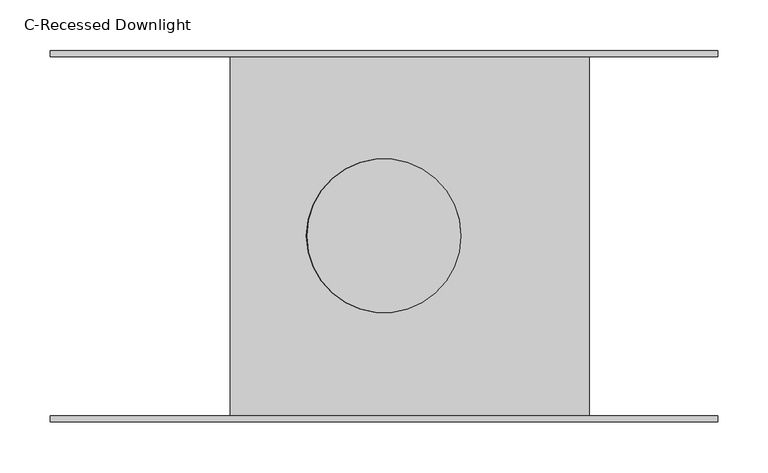
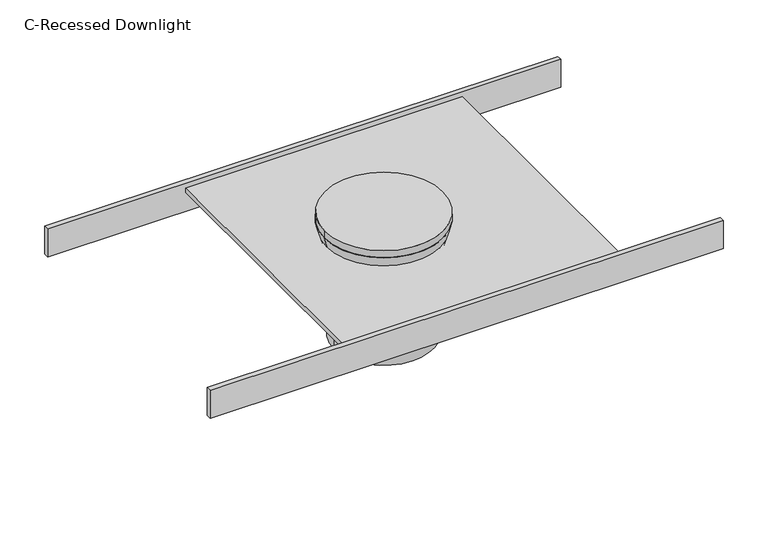
"""IFC4 building model written with IfcOpenShell, lengths in millimetres: light fixture geometry, C-Recessed Downlight."""

from ifc_helpers import new_model, si_unit, point, frame, frame_2d, origin, origin_with_axes, place, context, project, spatial, polyline, circle_curve, trimmed, segment, composite_curve, outline, extrude, source, transform, mapped, element, save
from ifc_brep_helpers import plane_surface, revolved_surface, advanced_brep


def c_recessed_downlight_26061e5d(model_context):
    return source(origin(), model_context, "Body", "SolidModel", [
        extrude(outline(composite_curve([segment(trimmed(circle_curve(frame_2d((-0.2696023, 0.4571435)), 63.5), [point((-63.7696023, 0.4571435))], [point((63.2303977, 0.4571435))], False, "CARTESIAN"), True, "CONTINUOUS"), segment(trimmed(circle_curve(frame_2d((-0.2696023, 0.4571435)), 63.5), [point((63.2303977, 0.4571435))], [point((-63.7696023, 0.4571435))], False, "CARTESIAN"), True, "CONTINUOUS")], self_intersect=False)), frame((0.0, 0.0, -155.5471527), z_axis=(0.0, 0.0, 1.0), x_axis=(1.0, 0.0, 0.0)), (0.0, 0.0, 1.0), 50.8),
        advanced_brep(
        [(-51.0696023, 0.4571435, -104.7471527), (50.5303977, 0.4571435, -104.7471527), (-76.7392047, 0.4571435, 0.0), (76.2, 0.4571435, 0.0)],
        [
            (0, 1, circle_curve(frame((-0.2696023, 0.4571435, -104.7471527), z_axis=(0.0, 0.0, -1.0), x_axis=(-1.0, 0.0, 0.0)), 50.8)),
            (1, 0, circle_curve(frame((-0.2696023, 0.4571435, -104.7471527), z_axis=(0.0, 0.0, -1.0), x_axis=(1.0, 0.0, 0.0)), 50.8)),
            (2, 3, circle_curve(frame((-0.2696023, 0.4571435, 0.0), z_axis=(0.0, 0.0, 1.0), x_axis=(1.0, 0.0, 0.0)), 76.4696023)),
            (3, 2, circle_curve(frame((-0.2696023, 0.4571435, 0.0), z_axis=(0.0, 0.0, 1.0), x_axis=(-1.0, 0.0, 0.0)), 76.4696023)),
            (2, 0),
            (1, 3),
        ],
        [
            plane_surface(frame((-0.2696023, 0.4571435, -104.7471527), z_axis=(0.0, 0.0, -1.0), x_axis=(0.0, -1.0, 0.0))),
            plane_surface(frame((-0.2696023, 0.4571435, 0.0), z_axis=(0.0, 0.0, 1.0), x_axis=(0.0, -1.0, 0.0))),
            revolved_surface(polyline([(50.53039766990356, 0.4571435, -104.74715270000004), (76.2, 0.4571435, 0.0)]), (-0.2696023, 0.4571435, -312.0411842), (0.0, 0.0, 1.0)),
            revolved_surface(polyline([(-51.06960233633518, 0.4571435, -104.74715270000004), (-76.7392047, 0.4571435, 0.0)]), (-0.2696023, 0.4571435, -312.0411842), (0.0, 0.0, 1.0)),
        ],
        [
            (0, [[1, 2]]),
            (1, [[3, 4]]),
            (2, [[-3, 5, -2, 6]]),
            (3, [[-4, -6, -1, -5]]),
        ],
    ),
        extrude(outline(composite_curve([segment(trimmed(circle_curve(frame_2d((0.0, 0.4571435)), 76.2), [point((-76.2, 0.4571435))], [point((76.2, 0.4571435))], False, "CARTESIAN"), True, "CONTINUOUS"), segment(trimmed(circle_curve(frame_2d((0.0, 0.4571435)), 76.2), [point((76.2, 0.4571435))], [point((-76.2, 0.4571435))], False, "CARTESIAN"), True, "CONTINUOUS")], self_intersect=False)), origin_with_axes(), (0.0, 0.0, 1.0), 9.5528473),
        extrude(outline(polyline([(203.2, 177.8), (203.2, -177.8), (-152.4, -177.8), (-152.4, 177.8), (203.2, 177.8)])), frame((0.0, 0.0, -19.05), z_axis=(0.0, 0.0, 1.0), x_axis=(1.0, 0.0, 0.0)), (0.0, 0.0, 1.0), 6.35),
        extrude(outline(polyline([(330.2, 184.15), (330.2, 177.8), (-330.2, 177.8), (-330.2, 184.15), (330.2, 184.15)])), frame((0.0, 0.0, -44.45), z_axis=(0.0, 0.0, 1.0), x_axis=(1.0, 0.0, 0.0)), (0.0, 0.0, 1.0), 38.1),
        extrude(outline(polyline([(330.2, -177.8), (330.2, -184.15), (-330.2, -184.15), (-330.2, -177.8), (330.2, -177.8)])), frame((0.0, 0.0, -44.45), z_axis=(0.0, 0.0, 1.0), x_axis=(1.0, 0.0, 0.0)), (0.0, 0.0, 1.0), 38.1),
    ])


if __name__ == "__main__":
    model = new_model("IFC4")
    model_context = context("Model", 3, world=origin())
    ifc_project = project(units=[si_unit("LENGTHUNIT", "METRE", prefix="MILLI")], contexts=[model_context])
    site = spatial("IfcSite", under=ifc_project)
    building = spatial("IfcBuilding", under=site)
    placement = place(None, origin())
    c_recessed_downlight_shape = c_recessed_downlight_26061e5d(model_context)
    element("IfcLightFixture", 1, ObjectType="C-Recessed Downlight", at=placement, inside=building, context=model_context, shape_type="MappedRepresentation", body=[
        mapped(c_recessed_downlight_shape, transform((0.0, 0.0, 0.0), x_axis=(1.0, 0.0, 0.0), y_axis=(0.0, 1.0, 0.0), z_axis=(0.0, 0.0, 1.0))),
    ])
    save(model, "model.ifc")
